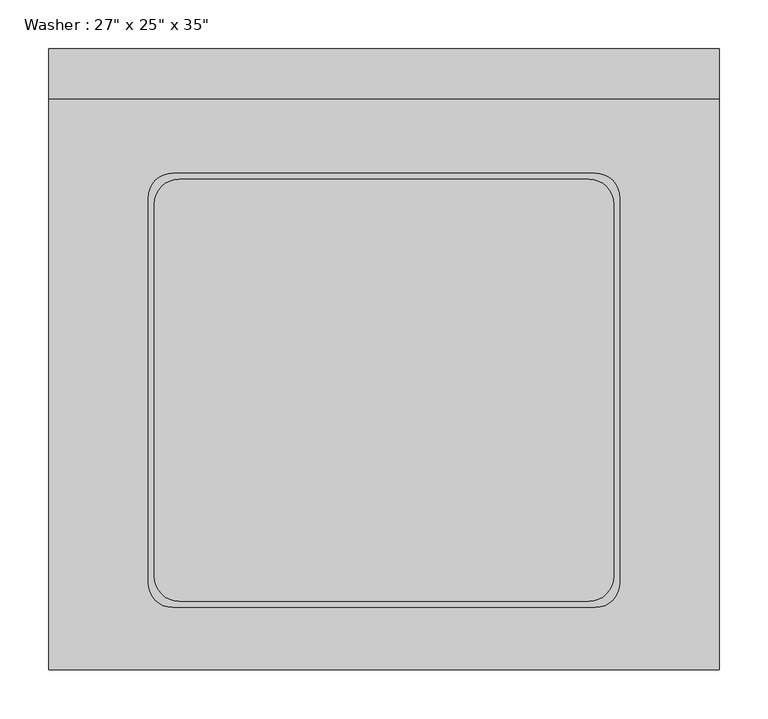
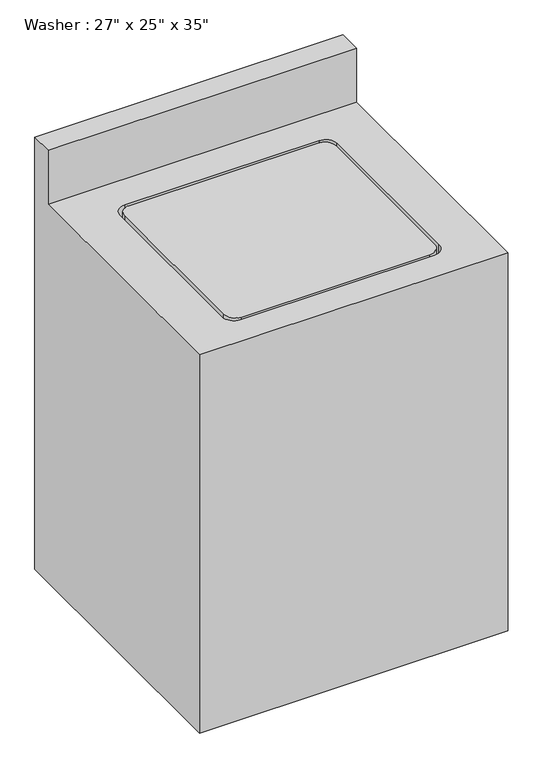
"""IFC4 building model written with IfcOpenShell, lengths in millimetres: furniture geometry."""

import ifcopenshell
import ifcopenshell.guid

model = None  # the IFC model being written
_history = None  # IfcOwnerHistory: only IFC2X3 demands one
_inside = {}  # id of a spatial element -> (the spatial element, [elements in it])
_under = {}  # id of a project, library or spatial element -> (it, [spatial elements below it])
_declared = {}  # id of a project -> (the project, [libraries it declares])
_typed = {}  # id of a type object -> (the type object, [elements of that type])
_made_of = {}  # id of a material, layer set ... -> (it, [elements and type objects made of it])


def new_model(schema):
    """Start an empty IFC model of exactly this schema.

    Asked for "IFC4X3", IfcOpenShell would pick the latest addendum, in which some entities
    have other attributes; the version numbers below select the first issue.
    IFC2X3 requires an IfcOwnerHistory on every rooted entity: one is made here for all.
    """
    global model, _history
    if schema == "IFC4X3":
        model = ifcopenshell.file(schema_version=(4, 3, 0, 0))
    else:
        model = ifcopenshell.file(schema=schema)
    _inside.clear()
    _under.clear()
    _declared.clear()
    _typed.clear()
    _made_of.clear()
    _history = None
    if model.schema == "IFC2X3":
        org = make("IfcOrganization", Name="unknown")
        user = make(
            "IfcPersonAndOrganization",
            ThePerson=make("IfcPerson", FamilyName="unknown"),
            TheOrganization=org,
        )
        app = make(
            "IfcApplication",
            ApplicationDeveloper=org,
            Version="unknown",
            ApplicationFullName="unknown",
            ApplicationIdentifier="unknown",
        )
        _history = make(
            "IfcOwnerHistory",
            OwningUser=user,
            OwningApplication=app,
            ChangeAction="ADDED",
            CreationDate=0,
        )
    return model


def make(cls, **values):
    """One entity of the class cls with the attributes given. An attribute that is None is left unset."""
    return model.create_entity(
        cls, **{name: value for name, value in values.items() if value is not None}
    )


def rooted(cls, **values):
    """An entity with a GlobalId (a new one), such as an element, a storey or a relation."""
    return make(cls, GlobalId=ifcopenshell.guid.new(), OwnerHistory=_history, **values)


def si_unit(unit_type, name, prefix=None):
    """IfcSIUnit, for example si_unit("LENGTHUNIT", "METRE", prefix="MILLI")."""
    return make("IfcSIUnit", UnitType=unit_type, Prefix=prefix, Name=name)


def assignment(units):
    """IfcUnitAssignment: the units of a project."""
    return None if units is None else make("IfcUnitAssignment", Units=units)


def point(xyz):
    """IfcCartesianPoint."""
    return None if xyz is None else make("IfcCartesianPoint", Coordinates=xyz)


def direction(xyz):
    """IfcDirection."""
    return None if xyz is None else make("IfcDirection", DirectionRatios=xyz)


def frame(location, z_axis=None, x_axis=None):
    """IfcAxis2Placement3D, a coordinate frame: its origin and axes. An axis left out is left unset."""
    return make(
        "IfcAxis2Placement3D",
        Location=point(location),
        Axis=direction(z_axis),
        RefDirection=direction(x_axis),
    )


def frame_2d(location, x_axis=None):
    """IfcAxis2Placement2D, a coordinate frame in the plane: its origin and x axis."""
    return make(
        "IfcAxis2Placement2D", Location=point(location), RefDirection=direction(x_axis)
    )


def origin():
    """The frame at (0, 0, 0) with its axes left unset."""
    return frame((0.0, 0.0, 0.0))


def place(relative_to, where):
    """IfcLocalPlacement: puts the frame where relative to a parent placement (None: the world)."""
    return make(
        "IfcLocalPlacement", PlacementRelTo=relative_to, RelativePlacement=where
    )


def context(
    kind, dimensions, precision=None, world=None, true_north=None, identifier=None
):
    """IfcGeometricRepresentationContext, for example the 3D "Model" context."""
    return make(
        "IfcGeometricRepresentationContext",
        ContextIdentifier=identifier,
        ContextType=kind,
        CoordinateSpaceDimension=dimensions,
        Precision=precision,
        WorldCoordinateSystem=world,
        TrueNorth=true_north,
    )


def project(units=None, contexts=None):
    """IfcProject with its units and contexts."""
    return rooted(
        "IfcProject",
        Name="project",
        RepresentationContexts=contexts,
        UnitsInContext=assignment(units),
    )


def spatial(cls, under=None, at=None, **own):
    """A site, building, storey or space (cls), placed at a placement, below another one or the project."""
    s = rooted(cls, ObjectPlacement=at, **own)
    if under is not None:
        _under.setdefault(under.id(), (under, []))[1].append(s)
    return s


def polyline(points):
    """IfcPolyline through the points."""
    return make("IfcPolyline", Points=[point(p) for p in points])


def circle_curve(where, radius):
    """IfcCircle in the frame where."""
    return make("IfcCircle", Position=where, Radius=radius)


def trimmed(basis, trim1, trim2, sense, master):
    """IfcTrimmedCurve: the piece of a basis curve between two trims."""
    return make(
        "IfcTrimmedCurve",
        BasisCurve=basis,
        Trim1=trim1,
        Trim2=trim2,
        SenseAgreement=sense,
        MasterRepresentation=master,
    )


def segment(curve, same_sense, transition):
    """IfcCompositeCurveSegment."""
    return make(
        "IfcCompositeCurveSegment",
        Transition=transition,
        SameSense=same_sense,
        ParentCurve=curve,
    )


def composite_curve(segments, self_intersect=None):
    """IfcCompositeCurve: segments joined end to end."""
    return make("IfcCompositeCurve", Segments=segments, SelfIntersect=self_intersect)


def outline(outer, holes=None, kind="AREA"):
    """IfcArbitraryClosedProfileDef: a profile drawn as a closed curve; with holes, ...WithVoids."""
    if holes is None:
        return make("IfcArbitraryClosedProfileDef", ProfileType=kind, OuterCurve=outer)
    return make(
        "IfcArbitraryProfileDefWithVoids",
        ProfileType=kind,
        OuterCurve=outer,
        InnerCurves=holes,
    )


def extrude(swept, where, along, depth):
    """IfcExtrudedAreaSolid: the profile swept, set in the frame where, extruded along a direction by depth."""
    return make(
        "IfcExtrudedAreaSolid",
        SweptArea=swept,
        Position=where,
        ExtrudedDirection=direction(along),
        Depth=depth,
    )


def shape(context_of_items, identifier, shape_type, items):
    """IfcShapeRepresentation: the items that make up one representation, for example the "Body"."""
    return make(
        "IfcShapeRepresentation",
        ContextOfItems=context_of_items,
        RepresentationIdentifier=identifier,
        RepresentationType=shape_type,
        Items=items,
    )


def source(mapping_origin, context_of_items, identifier, shape_type, items):
    """IfcRepresentationMap: a shape defined once, which mapped items show again and again."""
    return make(
        "IfcRepresentationMap",
        MappingOrigin=mapping_origin,
        MappedRepresentation=shape(context_of_items, identifier, shape_type, items),
    )


def transform(
    local_origin,
    x_axis=None,
    y_axis=None,
    z_axis=None,
    scale=None,
    scale2=None,
    scale3=None,
    uniform=True,
):
    """IfcCartesianTransformationOperator3D, or its non-uniform kind. x_axis, y_axis, z_axis: its Axis1, 2, 3."""
    if uniform:
        return make(
            "IfcCartesianTransformationOperator3D",
            Axis1=direction(x_axis),
            Axis2=direction(y_axis),
            LocalOrigin=point(local_origin),
            Scale=scale,
            Axis3=direction(z_axis),
        )
    return make(
        "IfcCartesianTransformationOperator3DnonUniform",
        Axis1=direction(x_axis),
        Axis2=direction(y_axis),
        LocalOrigin=point(local_origin),
        Scale=scale,
        Axis3=direction(z_axis),
        Scale2=scale2,
        Scale3=scale3,
    )


def mapped(mapping_source, mapping_target):
    """IfcMappedItem: shows the shape of a source again, moved by a transform."""
    return make(
        "IfcMappedItem", MappingSource=mapping_source, MappingTarget=mapping_target
    )


def made_of(thing, what):
    """Note that an element or type object is made of a material, layer set ...; save() writes the relation."""
    if what is not None:
        _made_of.setdefault(what.id(), (what, []))[1].append(thing)
    return thing


def element(
    cls,
    number,
    at=None,
    inside=None,
    cuts=None,
    type_object=None,
    material=None,
    context=None,
    identifier="Body",
    shape_type=None,
    held_by="IfcProductDefinitionShape",
    body=None,
    shapes=None,
    **own,
):
    """One element of the class cls, such as IfcWall. Its Tag is "e" and its number.

    at: its placement. inside: the storey or other place that contains it. cuts: it is an
    opening in that element (IfcRelVoidsElement). A single representation is given by context,
    identifier, shape_type and body (its items); several are given by shapes. held_by: the class
    of the entity that holds the representations. save() writes the other relations.
    """
    e = rooted(cls, Tag="e%d" % number, ObjectPlacement=at, **own)
    if body is not None:
        shapes = [shape(context, identifier, shape_type, body)]
    if shapes is not None:
        e.Representation = make(held_by, Representations=shapes)
    if inside is not None:
        _inside.setdefault(inside.id(), (inside, []))[1].append(e)
    if cuts is not None:
        rooted(
            "IfcRelVoidsElement", RelatingBuildingElement=cuts, RelatedOpeningElement=e
        )
    if type_object is not None:
        _typed.setdefault(type_object.id(), (type_object, []))[1].append(e)
    return made_of(e, material)


def aggregate(whole, parts):
    """IfcRelAggregates: a whole, such as a stair, and the parts it consists of."""
    return rooted("IfcRelAggregates", RelatingObject=whole, RelatedObjects=parts)


def save(model, path):
    """Write the relations noted so far, then the file.

    IfcRelAggregates (storeys below a building ...), IfcRelContainedInSpatialStructure (elements
    in a storey), IfcRelDefinesByType, IfcRelAssociatesMaterial and IfcRelDeclares: one each for
    every whole, place, type object, material and project.
    """
    for whole, parts in _under.values():
        aggregate(whole, parts)
    for where, things in _inside.values():
        rooted(
            "IfcRelContainedInSpatialStructure",
            RelatedElements=things,
            RelatingStructure=where,
        )
    for kind, things in _typed.values():
        rooted("IfcRelDefinesByType", RelatedObjects=things, RelatingType=kind)
    for what, things in _made_of.values():
        rooted("IfcRelAssociatesMaterial", RelatedObjects=things, RelatingMaterial=what)
    for by, libraries in _declared.values():
        rooted("IfcRelDeclares", RelatingContext=by, RelatedDefinitions=libraries)
    model.write(path)


def plane_surface(at):
    """IfcPlane: the flat surface through the origin of the frame at, square to its z axis."""
    return make("IfcPlane", Position=at)


def revolved_surface(curve, axis_point, axis_direction):
    """IfcSurfaceOfRevolution: the curve turned about the line through axis_point along axis_direction."""
    return make(
        "IfcSurfaceOfRevolution",
        SweptCurve=make("IfcArbitraryOpenProfileDef", ProfileType="CURVE", Curve=curve),
        AxisPosition=make("IfcAxis1Placement", Location=point(axis_point), Axis=direction(axis_direction)),
    )


def advanced_brep(points, edges, surfaces, faces):
    """IfcAdvancedBrep: a solid bounded by faces that lie on surfaces and meet in shared edges.

    An edge is (start, end): straight between two places in points (the first is 0);
    or (start, end, curve); or (start, end, curve, False) where it runs against its curve.
    A face is (place in surfaces, loops), or (place, loops, False) where it looks against
    its surface's normal. A loop lists edges by number (the first is 1), with a minus sign
    where the edge is run from its end to its start. The first loop is the outer one.
    """
    corners = [point(p) for p in points]
    vertices = [make("IfcVertexPoint", VertexGeometry=c) for c in corners]
    made = []
    for start, end, *more in edges:
        made.append(
            make(
                "IfcEdgeCurve",
                EdgeStart=vertices[start],
                EdgeEnd=vertices[end],
                EdgeGeometry=more[0] if more else make("IfcPolyline", Points=[corners[start], corners[end]]),
                SameSense=more[1] if len(more) > 1 else True,
            )
        )
    hull = []
    for where, loops, *sense in faces:
        bounds = []
        for j, loop in enumerate(loops):
            ring = [make("IfcOrientedEdge", EdgeElement=made[abs(k) - 1], Orientation=k > 0) for k in loop]
            bounds.append(
                make(
                    "IfcFaceOuterBound" if j == 0 else "IfcFaceBound",
                    Bound=make("IfcEdgeLoop", EdgeList=ring),
                    Orientation=True,
                )
            )
        hull.append(make("IfcAdvancedFace", Bounds=bounds, FaceSurface=surfaces[where], SameSense=sense[0] if sense else True))
    return make("IfcAdvancedBrep", Outer=make("IfcClosedShell", CfsFaces=hull))


def furniture_718fa39f(model_context):
    return source(origin(), model_context, "Body", "SolidModel", [
        extrude(outline(composite_curve([segment(trimmed(circle_curve(frame_2d((210.8674685, 437.8995648)), 25.4), [point((185.4674685, 437.8995648))], [point((210.8674685, 463.2995648))], False, "CARTESIAN"), True, "CONTINUOUS"), segment(polyline([(210.8674685, 463.2995648), (629.9674685, 463.2995648)]), True, "CONTINUOUS"), segment(trimmed(circle_curve(frame_2d((629.9674685, 437.8995648)), 25.4), [point((629.9674685, 463.2995648))], [point((655.3674685, 437.8995648))], False, "CARTESIAN"), True, "CONTINUOUS"), segment(polyline([(655.3674685, 437.8995648), (655.3674685, 56.8995648)]), True, "CONTINUOUS"), segment(trimmed(circle_curve(frame_2d((629.9674685, 56.8995648)), 25.4), [point((655.3674685, 56.8995648))], [point((629.9674685, 31.4995648))], False, "CARTESIAN"), True, "CONTINUOUS"), segment(polyline([(629.9674685, 31.4995648), (210.8674685, 31.4995648)]), True, "CONTINUOUS"), segment(trimmed(circle_curve(frame_2d((210.8674685, 56.8995648)), 25.4), [point((210.8674685, 31.4995648))], [point((185.4674685, 56.8995648))], False, "CARTESIAN"), True, "CONTINUOUS"), segment(polyline([(185.4674685, 56.8995648), (185.4674685, 437.8995648)]), True, "CONTINUOUS")], self_intersect=False)), frame((0.0, 0.0, 863.6), z_axis=(0.0, 0.0, 1.0), x_axis=(1.0, 0.0, 0.0)), (0.0, 0.0, 1.0), 25.4),
        advanced_brep(
        [(77.5174685, 545.8495648, 889.0), (77.5174685, 545.8495648, 1016.0), (77.5174685, 596.6495648, 1016.0), (77.5174685, 596.6495648, 0.0), (77.5174685, -38.3504352, 0.0), (77.5174685, -38.3504352, 889.0), (763.3174685, 596.6495648, 1016.0), (763.3174685, 545.8495648, 1016.0), (763.3174685, 545.8495648, 889.0), (763.3174685, -38.3504352, 889.0), (763.3174685, -38.3504352, 0.0), (763.3174685, 596.6495648, 0.0), (204.5174685, 469.4681955, 889.0), (636.3174685, 469.4681955, 889.0), (661.7174685, 444.0681955, 889.0), (661.7174685, 50.5495648, 889.0), (636.3174685, 25.1495648, 889.0), (204.5174685, 25.1495648, 889.0), (179.1174685, 50.5495648, 889.0), (179.1174685, 444.0681955, 889.0), (636.3174685, 469.4681955, 838.2), (204.5174685, 469.4681955, 838.2), (179.1174685, 444.0681955, 838.2), (179.1174685, 50.5495648, 838.2), (204.5174685, 25.1495648, 838.2), (636.3174685, 25.1495648, 838.2), (661.7174685, 50.5495648, 838.2), (661.7174685, 444.0681955, 838.2)],
        [
            (0, 1),
            (1, 2),
            (2, 3),
            (3, 4),
            (4, 5),
            (5, 0),
            (6, 7),
            (7, 8),
            (8, 9),
            (9, 10),
            (10, 11),
            (11, 6),
            (0, 8),
            (7, 1),
            (6, 2),
            (11, 3),
            (5, 9),
            (12, 13),
            (13, 14, circle_curve(frame((636.3174685, 444.0681955, 889.0), z_axis=(0.0, 0.0, -1.0), x_axis=(0.0, -1.0, 0.0)), 25.4)),
            (14, 15),
            (15, 16, circle_curve(frame((636.3174685, 50.5495648, 889.0), z_axis=(0.0, 0.0, -1.0), x_axis=(0.0, -1.0, 0.0)), 25.4)),
            (16, 17),
            (17, 18, circle_curve(frame((204.5174685, 50.5495648, 889.0), z_axis=(0.0, 0.0, -1.0), x_axis=(0.0, -1.0, 0.0)), 25.4)),
            (18, 19),
            (19, 12, circle_curve(frame((204.5174685, 444.0681955, 889.0), z_axis=(0.0, 0.0, -1.0), x_axis=(0.0, -1.0, 0.0)), 25.4)),
            (10, 4),
            (20, 21),
            (21, 22, circle_curve(frame((204.5174685, 444.0681955, 838.2), z_axis=(0.0, 0.0, 1.0), x_axis=(0.0, -1.0, 0.0)), 25.4)),
            (22, 23),
            (23, 24, circle_curve(frame((204.5174685, 50.5495648, 838.2), z_axis=(0.0, 0.0, 1.0), x_axis=(0.0, -1.0, 0.0)), 25.4)),
            (24, 25),
            (25, 26, circle_curve(frame((636.3174685, 50.5495648, 838.2), z_axis=(0.0, 0.0, 1.0), x_axis=(0.0, -1.0, 0.0)), 25.4)),
            (26, 27),
            (27, 20, circle_curve(frame((636.3174685, 444.0681955, 838.2), z_axis=(0.0, 0.0, 1.0), x_axis=(0.0, -1.0, 0.0)), 25.4)),
            (20, 13),
            (12, 21),
            (19, 22),
            (18, 23),
            (17, 24),
            (16, 25),
            (15, 26),
            (14, 27),
        ],
        [
            plane_surface(frame((77.5174685, 545.8495648, 889.0), z_axis=(-1.0, 0.0, 0.0), x_axis=(0.0, 0.0, 1.0))),
            plane_surface(frame((763.3174685, 545.8495648, 889.0), z_axis=(1.0, 0.0, 0.0), x_axis=(0.0, 0.0, -1.0))),
            plane_surface(frame((77.5174685, 545.8495648, 889.0), z_axis=(0.0, -1.0, 0.0), x_axis=(1.0, 0.0, 0.0))),
            plane_surface(frame((77.5174685, 545.8495648, 1016.0), z_axis=(0.0, 0.0, 1.0), x_axis=(1.0, 0.0, 0.0))),
            plane_surface(frame((77.5174685, 596.6495648, 1016.0), z_axis=(0.0, 1.0, 0.0), x_axis=(1.0, 0.0, 0.0))),
            plane_surface(frame((77.5174685, -38.3504352, 889.0), z_axis=(0.0, 0.0, 1.0), x_axis=(0.0, -1.0, 0.0))),
            plane_surface(frame((77.5174685, -38.3504352, 0.0), z_axis=(0.0, 0.0, -1.0), x_axis=(0.0, 1.0, 0.0))),
            plane_surface(frame((77.5174685, -38.3504352, 889.0), z_axis=(0.0, -1.0, 0.0), x_axis=(0.0, 0.0, -1.0))),
            plane_surface(frame((204.5174685, 469.4681955, 838.2), z_axis=(0.0, 0.0, 1.0), x_axis=(1.0, 0.0, 0.0))),
            plane_surface(frame((636.3174685, 469.4681955, 889.0), z_axis=(0.0, -1.0, 0.0), x_axis=(0.0, 0.0, -1.0))),
            revolved_surface(polyline([(204.5174685, 418.6681955, 889.0), (204.5174685, 418.6681955, 838.2)]), (204.5174685, 444.0681955, 838.2), (0.0, 0.0, 1.0)),
            plane_surface(frame((179.1174685, 444.0681955, 889.0), z_axis=(1.0, 0.0, 0.0), x_axis=(0.0, 0.0, -1.0))),
            revolved_surface(polyline([(204.5174685, 25.1495648, 889.0), (204.5174685, 25.1495648, 838.2)]), (204.5174685, 50.5495648, 838.2), (0.0, 0.0, 1.0)),
            plane_surface(frame((204.5174685, 25.1495648, 889.0), z_axis=(0.0, 1.0, 0.0), x_axis=(0.0, 0.0, -1.0))),
            revolved_surface(polyline([(636.3174685, 25.1495648, 889.0), (636.3174685, 25.1495648, 838.2)]), (636.3174685, 50.5495648, 838.2), (0.0, 0.0, 1.0)),
            plane_surface(frame((661.7174685, 50.5495648, 889.0), z_axis=(-1.0, 0.0, 0.0), x_axis=(0.0, 0.0, -1.0))),
            revolved_surface(polyline([(636.3174685, 418.6681955, 889.0), (636.3174685, 418.6681955, 838.2)]), (636.3174685, 444.0681955, 838.2), (0.0, 0.0, 1.0)),
        ],
        [
            (0, [[1, 2, 3, 4, 5, 6]]),
            (1, [[7, 8, 9, 10, 11, 12]]),
            (2, [[-1, 13, -8, 14]]),
            (3, [[-2, -14, -7, 15]]),
            (4, [[-15, -12, 16, -3]]),
            (5, [[17, -9, -13, -6], [18, 19, 20, 21, 22, 23, 24, 25]]),
            (6, [[-16, -11, 26, -4]]),
            (7, [[-17, -5, -26, -10]]),
            (8, [[27, 28, 29, 30, 31, 32, 33, 34]]),
            (9, [[-27, 35, -18, 36]]),
            (10, [[-28, -36, -25, 37]]),
            (11, [[-29, -37, -24, 38]]),
            (12, [[-30, -38, -23, 39]]),
            (13, [[-31, -39, -22, 40]]),
            (14, [[-32, -40, -21, 41]]),
            (15, [[-33, -41, -20, 42]]),
            (16, [[-34, -42, -19, -35]]),
        ],
    ),
    ])


if __name__ == "__main__":
    model = new_model("IFC4")
    model_context = context("Model", 3, world=origin())
    ifc_project = project(units=[si_unit("LENGTHUNIT", "METRE", prefix="MILLI")], contexts=[model_context])
    site = spatial("IfcSite", under=ifc_project)
    building = spatial("IfcBuilding", under=site)
    placement = place(None, origin())
    furniture_shape = furniture_718fa39f(model_context)
    element("IfcFurniture", 1, ObjectType="Washer : 27\" x 25\" x 35\"", at=placement, inside=building, context=model_context, shape_type="MappedRepresentation", body=[
        mapped(furniture_shape, transform((0.0, 0.0, 0.0), x_axis=(1.0, 0.0, 0.0), y_axis=(0.0, 1.0, 0.0), z_axis=(0.0, 0.0, 1.0))),
    ])
    save(model, "model.ifc")
